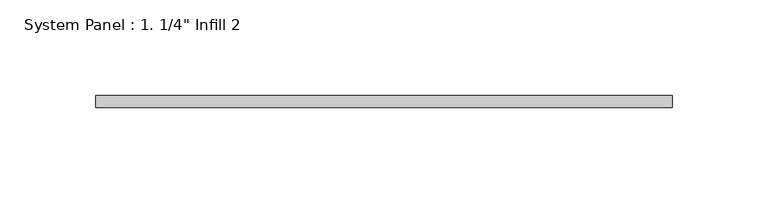
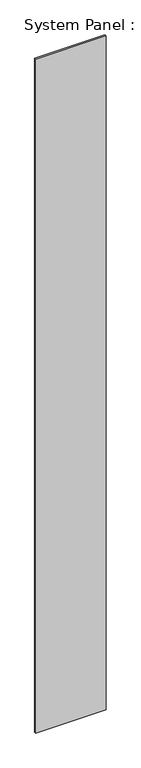
"""IFC4 building model written with IfcOpenShell, lengths in millimetres: plate geometry."""

import ifcopenshell
import ifcopenshell.guid

model = None  # the IFC model being written
_history = None  # IfcOwnerHistory: only IFC2X3 demands one
_inside = {}  # id of a spatial element -> (the spatial element, [elements in it])
_under = {}  # id of a project, library or spatial element -> (it, [spatial elements below it])
_declared = {}  # id of a project -> (the project, [libraries it declares])
_typed = {}  # id of a type object -> (the type object, [elements of that type])
_made_of = {}  # id of a material, layer set ... -> (it, [elements and type objects made of it])


def new_model(schema):
    """Start an empty IFC model of exactly this schema.

    Asked for "IFC4X3", IfcOpenShell would pick the latest addendum, in which some entities
    have other attributes; the version numbers below select the first issue.
    IFC2X3 requires an IfcOwnerHistory on every rooted entity: one is made here for all.
    """
    global model, _history
    if schema == "IFC4X3":
        model = ifcopenshell.file(schema_version=(4, 3, 0, 0))
    else:
        model = ifcopenshell.file(schema=schema)
    _inside.clear()
    _under.clear()
    _declared.clear()
    _typed.clear()
    _made_of.clear()
    _history = None
    if model.schema == "IFC2X3":
        org = make("IfcOrganization", Name="unknown")
        user = make(
            "IfcPersonAndOrganization",
            ThePerson=make("IfcPerson", FamilyName="unknown"),
            TheOrganization=org,
        )
        app = make(
            "IfcApplication",
            ApplicationDeveloper=org,
            Version="unknown",
            ApplicationFullName="unknown",
            ApplicationIdentifier="unknown",
        )
        _history = make(
            "IfcOwnerHistory",
            OwningUser=user,
            OwningApplication=app,
            ChangeAction="ADDED",
            CreationDate=0,
        )
    return model


def make(cls, **values):
    """One entity of the class cls with the attributes given. An attribute that is None is left unset."""
    return model.create_entity(
        cls, **{name: value for name, value in values.items() if value is not None}
    )


def rooted(cls, **values):
    """An entity with a GlobalId (a new one), such as an element, a storey or a relation."""
    return make(cls, GlobalId=ifcopenshell.guid.new(), OwnerHistory=_history, **values)


def si_unit(unit_type, name, prefix=None):
    """IfcSIUnit, for example si_unit("LENGTHUNIT", "METRE", prefix="MILLI")."""
    return make("IfcSIUnit", UnitType=unit_type, Prefix=prefix, Name=name)


def assignment(units):
    """IfcUnitAssignment: the units of a project."""
    return None if units is None else make("IfcUnitAssignment", Units=units)


def point(xyz):
    """IfcCartesianPoint."""
    return None if xyz is None else make("IfcCartesianPoint", Coordinates=xyz)


def direction(xyz):
    """IfcDirection."""
    return None if xyz is None else make("IfcDirection", DirectionRatios=xyz)


def frame(location, z_axis=None, x_axis=None):
    """IfcAxis2Placement3D, a coordinate frame: its origin and axes. An axis left out is left unset."""
    return make(
        "IfcAxis2Placement3D",
        Location=point(location),
        Axis=direction(z_axis),
        RefDirection=direction(x_axis),
    )


def origin():
    """The frame at (0, 0, 0) with its axes left unset."""
    return frame((0.0, 0.0, 0.0))


def origin_with_axes():
    """The frame at (0, 0, 0) with the z axis (0, 0, 1) and the x axis (1, 0, 0) written out."""
    return frame((0.0, 0.0, 0.0), z_axis=(0.0, 0.0, 1.0), x_axis=(1.0, 0.0, 0.0))


def place(relative_to, where):
    """IfcLocalPlacement: puts the frame where relative to a parent placement (None: the world)."""
    return make(
        "IfcLocalPlacement", PlacementRelTo=relative_to, RelativePlacement=where
    )


def context(
    kind, dimensions, precision=None, world=None, true_north=None, identifier=None
):
    """IfcGeometricRepresentationContext, for example the 3D "Model" context."""
    return make(
        "IfcGeometricRepresentationContext",
        ContextIdentifier=identifier,
        ContextType=kind,
        CoordinateSpaceDimension=dimensions,
        Precision=precision,
        WorldCoordinateSystem=world,
        TrueNorth=true_north,
    )


def project(units=None, contexts=None):
    """IfcProject with its units and contexts."""
    return rooted(
        "IfcProject",
        Name="project",
        RepresentationContexts=contexts,
        UnitsInContext=assignment(units),
    )


def spatial(cls, under=None, at=None, **own):
    """A site, building, storey or space (cls), placed at a placement, below another one or the project."""
    s = rooted(cls, ObjectPlacement=at, **own)
    if under is not None:
        _under.setdefault(under.id(), (under, []))[1].append(s)
    return s


def polyline(points):
    """IfcPolyline through the points."""
    return make("IfcPolyline", Points=[point(p) for p in points])


def outline(outer, holes=None, kind="AREA"):
    """IfcArbitraryClosedProfileDef: a profile drawn as a closed curve; with holes, ...WithVoids."""
    if holes is None:
        return make("IfcArbitraryClosedProfileDef", ProfileType=kind, OuterCurve=outer)
    return make(
        "IfcArbitraryProfileDefWithVoids",
        ProfileType=kind,
        OuterCurve=outer,
        InnerCurves=holes,
    )


def extrude(swept, where, along, depth):
    """IfcExtrudedAreaSolid: the profile swept, set in the frame where, extruded along a direction by depth."""
    return make(
        "IfcExtrudedAreaSolid",
        SweptArea=swept,
        Position=where,
        ExtrudedDirection=direction(along),
        Depth=depth,
    )


def shape(context_of_items, identifier, shape_type, items):
    """IfcShapeRepresentation: the items that make up one representation, for example the "Body"."""
    return make(
        "IfcShapeRepresentation",
        ContextOfItems=context_of_items,
        RepresentationIdentifier=identifier,
        RepresentationType=shape_type,
        Items=items,
    )


def source(mapping_origin, context_of_items, identifier, shape_type, items):
    """IfcRepresentationMap: a shape defined once, which mapped items show again and again."""
    return make(
        "IfcRepresentationMap",
        MappingOrigin=mapping_origin,
        MappedRepresentation=shape(context_of_items, identifier, shape_type, items),
    )


def transform(
    local_origin,
    x_axis=None,
    y_axis=None,
    z_axis=None,
    scale=None,
    scale2=None,
    scale3=None,
    uniform=True,
):
    """IfcCartesianTransformationOperator3D, or its non-uniform kind. x_axis, y_axis, z_axis: its Axis1, 2, 3."""
    if uniform:
        return make(
            "IfcCartesianTransformationOperator3D",
            Axis1=direction(x_axis),
            Axis2=direction(y_axis),
            LocalOrigin=point(local_origin),
            Scale=scale,
            Axis3=direction(z_axis),
        )
    return make(
        "IfcCartesianTransformationOperator3DnonUniform",
        Axis1=direction(x_axis),
        Axis2=direction(y_axis),
        LocalOrigin=point(local_origin),
        Scale=scale,
        Axis3=direction(z_axis),
        Scale2=scale2,
        Scale3=scale3,
    )


def mapped(mapping_source, mapping_target):
    """IfcMappedItem: shows the shape of a source again, moved by a transform."""
    return make(
        "IfcMappedItem", MappingSource=mapping_source, MappingTarget=mapping_target
    )


def made_of(thing, what):
    """Note that an element or type object is made of a material, layer set ...; save() writes the relation."""
    if what is not None:
        _made_of.setdefault(what.id(), (what, []))[1].append(thing)
    return thing


def element(
    cls,
    number,
    at=None,
    inside=None,
    cuts=None,
    type_object=None,
    material=None,
    context=None,
    identifier="Body",
    shape_type=None,
    held_by="IfcProductDefinitionShape",
    body=None,
    shapes=None,
    **own,
):
    """One element of the class cls, such as IfcWall. Its Tag is "e" and its number.

    at: its placement. inside: the storey or other place that contains it. cuts: it is an
    opening in that element (IfcRelVoidsElement). A single representation is given by context,
    identifier, shape_type and body (its items); several are given by shapes. held_by: the class
    of the entity that holds the representations. save() writes the other relations.
    """
    e = rooted(cls, Tag="e%d" % number, ObjectPlacement=at, **own)
    if body is not None:
        shapes = [shape(context, identifier, shape_type, body)]
    if shapes is not None:
        e.Representation = make(held_by, Representations=shapes)
    if inside is not None:
        _inside.setdefault(inside.id(), (inside, []))[1].append(e)
    if cuts is not None:
        rooted(
            "IfcRelVoidsElement", RelatingBuildingElement=cuts, RelatedOpeningElement=e
        )
    if type_object is not None:
        _typed.setdefault(type_object.id(), (type_object, []))[1].append(e)
    return made_of(e, material)


def aggregate(whole, parts):
    """IfcRelAggregates: a whole, such as a stair, and the parts it consists of."""
    return rooted("IfcRelAggregates", RelatingObject=whole, RelatedObjects=parts)


def save(model, path):
    """Write the relations noted so far, then the file.

    IfcRelAggregates (storeys below a building ...), IfcRelContainedInSpatialStructure (elements
    in a storey), IfcRelDefinesByType, IfcRelAssociatesMaterial and IfcRelDeclares: one each for
    every whole, place, type object, material and project.
    """
    for whole, parts in _under.values():
        aggregate(whole, parts)
    for where, things in _inside.values():
        rooted(
            "IfcRelContainedInSpatialStructure",
            RelatedElements=things,
            RelatingStructure=where,
        )
    for kind, things in _typed.values():
        rooted("IfcRelDefinesByType", RelatedObjects=things, RelatingType=kind)
    for what, things in _made_of.values():
        rooted("IfcRelAssociatesMaterial", RelatedObjects=things, RelatingMaterial=what)
    for by, libraries in _declared.values():
        rooted("IfcRelDeclares", RelatingContext=by, RelatedDefinitions=libraries)
    model.write(path)


def plate_86196346(model_context):
    return source(origin(), model_context, "Body", "SweptSolid", [
        extrude(outline(polyline([(150.8125, 0.0), (-150.8125, 0.0), (-150.8125, 6.35), (150.8125, 6.35), (150.8125, 0.0)])), origin_with_axes(), (0.0, 0.0, 1.0), 3048.0),
    ])


if __name__ == "__main__":
    model = new_model("IFC4")
    model_context = context("Model", 3, world=origin())
    ifc_project = project(units=[si_unit("LENGTHUNIT", "METRE", prefix="MILLI")], contexts=[model_context])
    site = spatial("IfcSite", under=ifc_project)
    building = spatial("IfcBuilding", under=site)
    placement = place(None, origin())
    plate_shape = plate_86196346(model_context)
    element("IfcPlate", 1, ObjectType="System Panel : 1. 1/4\" Infill 2", at=placement, inside=building, context=model_context, shape_type="MappedRepresentation", body=[
        mapped(plate_shape, transform((0.0, 0.0, 0.0), x_axis=(1.0, 0.0, 0.0), y_axis=(0.0, 1.0, 0.0), z_axis=(0.0, 0.0, 1.0))),
    ])
    save(model, "model.ifc")
